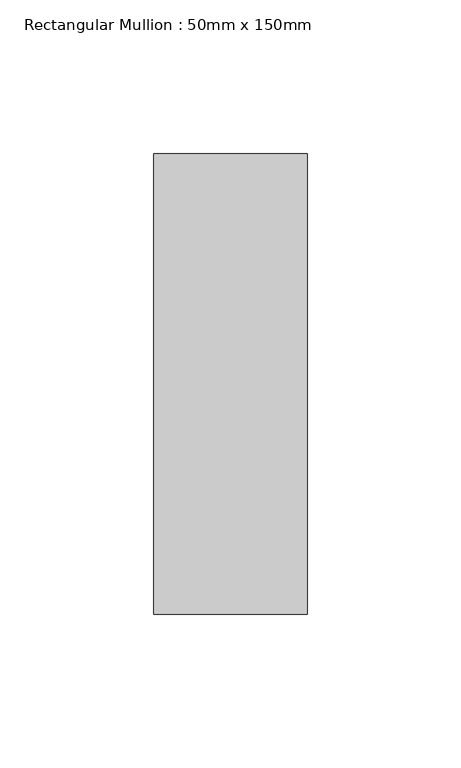
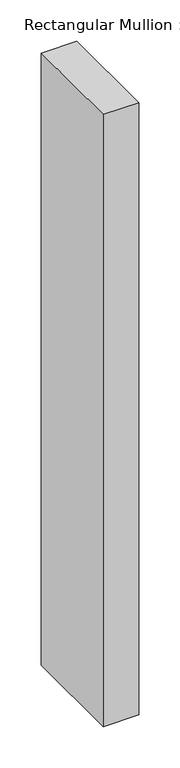
"""IFC4 building model written with IfcOpenShell, lengths in millimetres: member geometry, Rectangular Mullion : 50mm x 150mm."""

from ifc_helpers import new_model, si_unit, frame, origin, place, context, project, spatial, polyline, outline, extrude, source, transform, mapped, element, save


def rectangular_mullion_50mm_x_150mm_4d142c71(model_context):
    return source(origin(), model_context, "Body", "SweptSolid", [
        extrude(outline(polyline([(0.0, 75.0), (0.0, -75.0), (-50.0, -75.0), (-50.0, 75.0), (0.0, 75.0)])), frame((0.0, 0.0, -907.0247946), z_axis=(0.0, 0.0, 1.0), x_axis=(1.0, 0.0, 0.0)), (0.0, 0.0, 1.0), 907.0247946),
    ])


if __name__ == "__main__":
    model = new_model("IFC4")
    model_context = context("Model", 3, world=origin())
    ifc_project = project(units=[si_unit("LENGTHUNIT", "METRE", prefix="MILLI")], contexts=[model_context])
    site = spatial("IfcSite", under=ifc_project)
    building = spatial("IfcBuilding", under=site)
    placement = place(None, origin())
    rectangular_mullion_50mm_x_150mm_shape = rectangular_mullion_50mm_x_150mm_4d142c71(model_context)
    element("IfcMember", 1, ObjectType="Rectangular Mullion : 50mm x 150mm", at=placement, inside=building, context=model_context, shape_type="MappedRepresentation", body=[
        mapped(rectangular_mullion_50mm_x_150mm_shape, transform((0.0, 0.0, 0.0), x_axis=(1.0, 0.0, 0.0), y_axis=(0.0, 1.0, 0.0), z_axis=(0.0, 0.0, 1.0))),
    ])
    save(model, "model.ifc")
